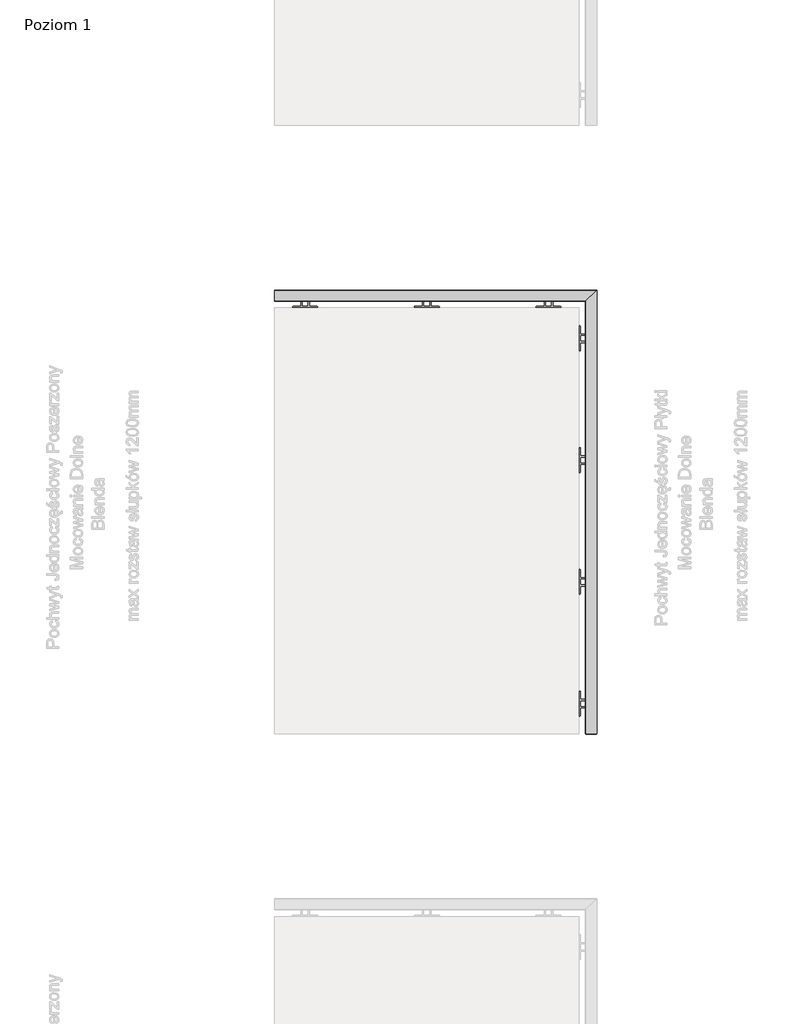
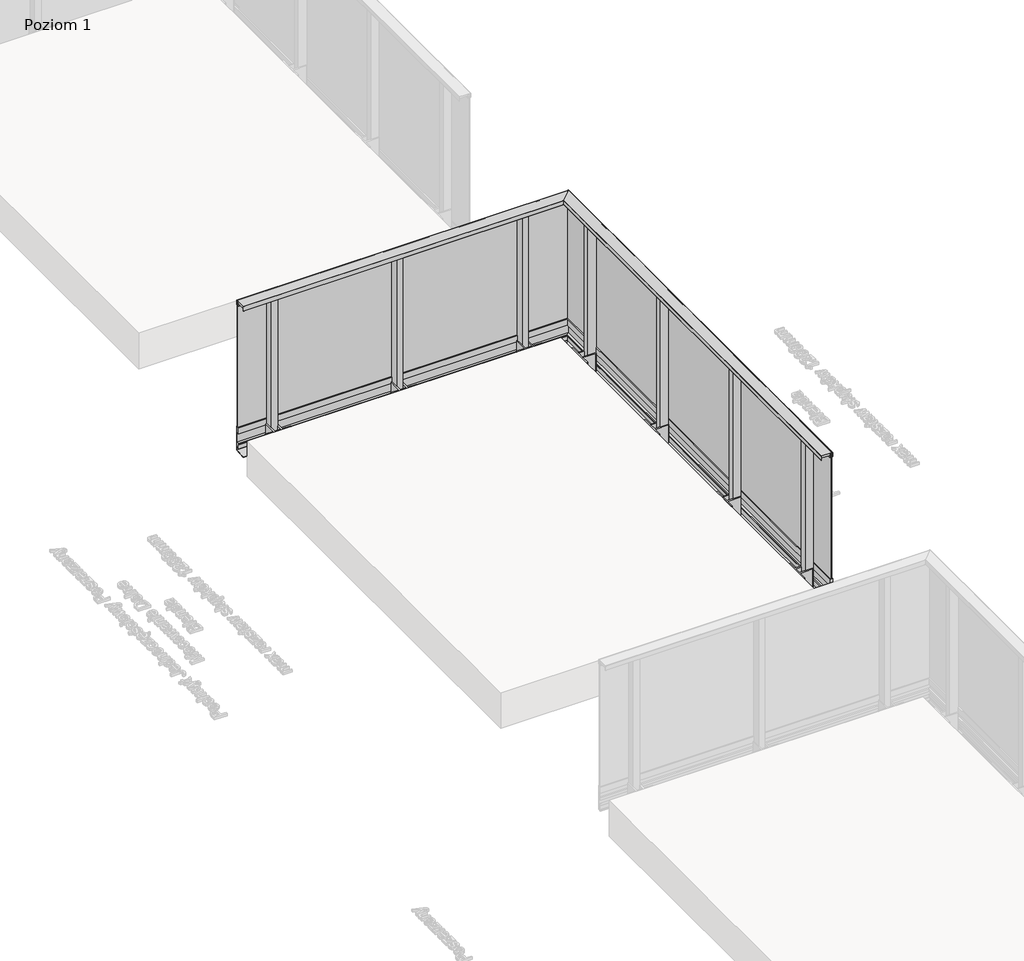
# One storey, part 5 of 35: 1 railing.
"""IFC4 building model written with IfcOpenShell, lengths in millimetres."""

from ifc_helpers import new_model, si_unit, frame, origin, place, context, project, spatial, polyline, circle_curve, ellipse_curve, outline, extrude, faceted_brep, element, save
from ifc_brep_helpers import plane_surface, cylinder_surface, revolved_surface, advanced_brep

model = new_model("IFC4")

# Units and contexts
model_context = context("Model", 3, world=origin())
ifc_project = project(units=[si_unit("LENGTHUNIT", "METRE", prefix="MILLI")], contexts=[model_context])

# Site, building, storey
site = spatial("IfcSite", under=ifc_project)
building = spatial("IfcBuilding", under=site)
storey = spatial("IfcBuildingStorey", under=building, Name="Poziom 1", Elevation=0.0)

# Railing
placement = place(None, origin())
element("IfcRailing", 1, at=placement, inside=storey, context=model_context, shape_type="SolidModel", body=[
    faceted_brep([(9538.3652811, -4629.5008183, 37.0), (9514.3652811, -4629.5008183, 37.0), (9514.3652811, -4629.5008183, -13.0), (9536.3652811, -4629.5008183, -13.0), (9536.3652811, -4629.5008183, -96.9554203), (9518.1832954, -4629.5008183, -96.9554203), (9518.1832954, -4629.5008183, -106.1344716), (9514.6406636, -4629.5008183, -106.1344716), (9514.6406636, -4629.5008183, -143.1624898), (9527.921825, -4629.5008183, -143.1624898), (9527.921825, -4629.5008183, -131.8419804), (9536.0842003, -4629.5008183, -131.8419804), (9536.0842003, -4629.5008183, -161.7741452), (9448.5987124, -4629.5008183, -169.4281336), (9448.7730238, -4629.5008183, -171.420523), (9538.3652811, -4629.5008183, -163.5822161), (9538.3652811, -982.117534, 37.0), (9514.3652811, -1006.117534, 37.0), (9514.3652811, -1006.117534, -13.0), (9536.3652811, -984.117534, -13.0), (9536.3652811, -984.117534, -96.9554203), (9518.1832954, -1002.2995197, -96.9554203), (9518.1832954, -1002.2995197, -106.1344716), (9514.6406636, -1005.8421514, -106.1344716), (9514.6406636, -1005.8421514, -143.1624898), (9527.921825, -992.5609901, -143.1624898), (9527.921825, -992.5609901, -131.8419804), (9536.0842003, -984.3986147, -131.8419804), (9536.0842003, -984.3986147, -161.7741452), (9448.5987124, -1071.8841027, -169.4281336), (9448.7730238, -1071.7097912, -171.420523), (9538.3652811, -982.117534, -163.5822161), (6890.9819967, -982.117534, 37.0), (6890.9819967, -982.117534, -163.5822161), (6890.9819967, -1071.7097912, -171.420523), (6890.9819967, -1071.8841027, -169.4281336), (6890.9819967, -984.3986147, -161.7741452), (6890.9819967, -984.3986147, -131.8419804), (6890.9819967, -992.5609901, -131.8419804), (6890.9819967, -992.5609901, -143.1624898), (6890.9819967, -1005.8421514, -143.1624898), (6890.9819967, -1005.8421514, -106.1344716), (6890.9819967, -1002.2995197, -106.1344716), (6890.9819967, -1002.2995197, -96.9554203), (6890.9819967, -984.117534, -96.9554203), (6890.9819967, -984.117534, -13.0), (6890.9819967, -1006.117534, -13.0), (6890.9819967, -1006.117534, 37.0)], [[[0, 1, 2, 3, 4, 5, 6, 7, 8, 9, 10, 11, 12, 13, 14, 15]], [[1, 0, 16, 17]], [[2, 1, 17, 18]], [[3, 2, 18, 19]], [[4, 3, 19, 20]], [[5, 4, 20, 21]], [[6, 5, 21, 22]], [[7, 6, 22, 23]], [[8, 7, 23, 24]], [[9, 8, 24, 25]], [[10, 9, 25, 26]], [[11, 10, 26, 27]], [[12, 11, 27, 28]], [[13, 12, 28, 29]], [[14, 13, 29, 30]], [[15, 14, 30, 31]], [[0, 15, 31, 16]], [[32, 33, 34, 35, 36, 37, 38, 39, 40, 41, 42, 43, 44, 45, 46, 47]], [[17, 16, 32, 47]], [[18, 17, 47, 46]], [[19, 18, 46, 45]], [[20, 19, 45, 44]], [[21, 20, 44, 43]], [[22, 21, 43, 42]], [[23, 22, 42, 41]], [[24, 23, 41, 40]], [[25, 24, 40, 39]], [[26, 25, 39, 38]], [[27, 26, 38, 37]], [[28, 27, 37, 36]], [[29, 28, 36, 35]], [[30, 29, 35, 34]], [[31, 30, 34, 33]], [[16, 31, 33, 32]]]),
    advanced_brep(
    [(9446.4625786, -4629.5008183, 1100.0), (9445.9625786, -4629.5008183, 1099.5), (9445.9625786, -4629.5008183, 1065.5384355), (9446.4625786, -4629.5008183, 1065.0384355), (9447.9625786, -4629.5008183, 1065.0384355), (9447.9625786, -4629.5008183, 1084.0), (9513.9566873, -4629.5008183, 1084.0), (9513.9566873, -4629.5008183, 1065.0590672), (9516.7566873, -4629.5008183, 1065.0590672), (9516.7566873, -4629.5008183, 1066.2590672), (9515.9566873, -4629.5008183, 1066.2590672), (9515.9566873, -4629.5008183, 1097.5), (9516.4566873, -4629.5008183, 1098.0), (9533.4625786, -4629.5008183, 1098.0), (9533.9625786, -4629.5008183, 1097.5), (9533.9625786, -4629.5008183, 1066.2590672), (9533.1625786, -4629.5008183, 1066.2590672), (9533.1625786, -4629.5008183, 1065.0590672), (9537.4625786, -4629.5008183, 1065.0590672), (9537.9625786, -4629.5008183, 1065.5590672), (9537.9625786, -4629.5008183, 1099.5), (9537.4625786, -4629.5008183, 1100.0), (9446.4625786, -1074.0202365, 1100.0), (9445.9625786, -1074.5202365, 1099.5), (9445.9625786, -1074.5202365, 1065.5384355), (9446.4625786, -1074.0202365, 1065.0384355), (9447.9625786, -1072.5202365, 1065.0384355), (9447.9625786, -1072.5202365, 1084.0), (9513.9566873, -1006.5261277, 1084.0), (9513.9566873, -1006.5261277, 1065.0590672), (9516.7566873, -1003.7261277, 1065.0590672), (9516.7566873, -1003.7261277, 1066.2590672), (9515.9566873, -1004.5261277, 1066.2590672), (9515.9566873, -1004.5261277, 1097.5), (9516.4566873, -1004.0261277, 1098.0), (9533.4625786, -987.0202365, 1098.0), (9533.9625786, -986.5202365, 1097.5), (9533.9625786, -986.5202365, 1066.2590672), (9533.1625786, -987.3202365, 1066.2590672), (9533.1625786, -987.3202365, 1065.0590672), (9537.4625786, -983.0202365, 1065.0590672), (9537.9625786, -982.5202365, 1065.5590672), (9537.9625786, -982.5202365, 1099.5), (9537.4625786, -983.0202365, 1100.0), (6890.9819967, -1074.0202365, 1100.0), (6890.9819967, -983.0202365, 1100.0), (6890.9819967, -982.5202365, 1099.5), (6890.9819967, -982.5202365, 1065.5590672), (6890.9819967, -983.0202365, 1065.0590672), (6890.9819967, -987.3202365, 1065.0590672), (6890.9819967, -987.3202365, 1066.2590672), (6890.9819967, -986.5202365, 1066.2590672), (6890.9819967, -986.5202365, 1097.5), (6890.9819967, -987.0202365, 1098.0), (6890.9819967, -1004.0261277, 1098.0), (6890.9819967, -1004.5261277, 1097.5), (6890.9819967, -1004.5261277, 1066.2590672), (6890.9819967, -1003.7261277, 1066.2590672), (6890.9819967, -1003.7261277, 1065.0590672), (6890.9819967, -1006.5261277, 1065.0590672), (6890.9819967, -1006.5261277, 1084.0), (6890.9819967, -1072.5202365, 1084.0), (6890.9819967, -1072.5202365, 1065.0384355), (6890.9819967, -1074.0202365, 1065.0384355), (6890.9819967, -1074.5202365, 1065.5384355), (6890.9819967, -1074.5202365, 1099.5)],
    [
        (0, 1, circle_curve(frame((9446.4625786, -4629.5008183, 1099.5), z_axis=(0.0, -1.0, 0.0), x_axis=(1.0, 0.0, 0.0)), 0.5)),
        (1, 2),
        (2, 3, circle_curve(frame((9446.4625786, -4629.5008183, 1065.5384355), z_axis=(0.0, -1.0, 0.0), x_axis=(1.0, 0.0, 0.0)), 0.5)),
        (3, 4),
        (4, 5),
        (5, 6),
        (6, 7),
        (7, 8),
        (8, 9),
        (9, 10),
        (10, 11),
        (11, 12, circle_curve(frame((9516.4566873, -4629.5008183, 1097.5), z_axis=(0.0, 1.0, 0.0), x_axis=(1.0, 0.0, 0.0)), 0.5)),
        (12, 13),
        (13, 14, circle_curve(frame((9533.4625786, -4629.5008183, 1097.5), z_axis=(0.0, 1.0, 0.0), x_axis=(1.0, 0.0, 0.0)), 0.5)),
        (14, 15),
        (15, 16),
        (16, 17),
        (17, 18),
        (18, 19, circle_curve(frame((9537.4625786, -4629.5008183, 1065.5590672), z_axis=(0.0, -1.0, 0.0), x_axis=(1.0, 0.0, 0.0)), 0.5)),
        (19, 20),
        (20, 21, circle_curve(frame((9537.4625786, -4629.5008183, 1099.5), z_axis=(0.0, -1.0, 0.0), x_axis=(1.0, 0.0, 0.0)), 0.5)),
        (21, 0),
        (0, 22),
        (22, 23, ellipse_curve(frame((9446.4625786, -1074.0202365, 1099.5), z_axis=(0.7071067811865467, -0.7071067811865482, 0.0), x_axis=(-0.7071067811865482, -0.7071067811865469, 0.0)), 0.7071068, 0.5)),
        (23, 1),
        (23, 24),
        (24, 2),
        (24, 25, ellipse_curve(frame((9446.4625786, -1074.0202365, 1065.5384355), z_axis=(0.7071067811865467, -0.7071067811865482, 0.0), x_axis=(-0.7071067811865482, -0.7071067811865469, 0.0)), 0.7071068, 0.5)),
        (25, 3),
        (25, 26),
        (26, 4),
        (26, 27),
        (27, 5),
        (27, 28),
        (28, 6),
        (28, 29),
        (29, 7),
        (29, 30),
        (30, 8),
        (30, 31),
        (31, 9),
        (31, 32),
        (32, 10),
        (32, 33),
        (33, 11),
        (33, 34, ellipse_curve(frame((9516.4566873, -1004.0261277, 1097.5), z_axis=(-0.7071067811865467, 0.7071067811865482, 0.0), x_axis=(0.7071067811865482, 0.7071067811865469, 0.0)), 0.7071068, 0.5)),
        (34, 12),
        (34, 35),
        (35, 13),
        (35, 36, ellipse_curve(frame((9533.4625786, -987.0202365, 1097.5), z_axis=(-0.7071067811865467, 0.7071067811865482, 0.0), x_axis=(0.7071067811865482, 0.7071067811865469, 0.0)), 0.7071068, 0.5)),
        (36, 14),
        (36, 37),
        (37, 15),
        (37, 38),
        (38, 16),
        (38, 39),
        (39, 17),
        (39, 40),
        (40, 18),
        (40, 41, ellipse_curve(frame((9537.4625786, -983.0202365, 1065.5590672), z_axis=(0.7071067811865467, -0.7071067811865482, 0.0), x_axis=(-0.7071067811865482, -0.7071067811865469, 0.0)), 0.7071068, 0.5)),
        (41, 19),
        (41, 42),
        (42, 20),
        (42, 43, ellipse_curve(frame((9537.4625786, -983.0202365, 1099.5), z_axis=(0.7071067811865467, -0.7071067811865482, 0.0), x_axis=(-0.7071067811865482, -0.7071067811865469, 0.0)), 0.7071068, 0.5)),
        (43, 21),
        (43, 22),
        (44, 45),
        (45, 46, circle_curve(frame((6890.9819967, -983.0202365, 1099.5), z_axis=(-1.0, 0.0, 0.0), x_axis=(0.0, 1.0, 0.0)), 0.5)),
        (46, 47),
        (47, 48, circle_curve(frame((6890.9819967, -983.0202365, 1065.5590672), z_axis=(-1.0, 0.0, 0.0), x_axis=(0.0, 1.0, 0.0)), 0.5)),
        (48, 49),
        (49, 50),
        (50, 51),
        (51, 52),
        (52, 53, circle_curve(frame((6890.9819967, -987.0202365, 1097.5), z_axis=(1.0, 0.0, 0.0), x_axis=(0.0, 1.0, 0.0)), 0.5)),
        (53, 54),
        (54, 55, circle_curve(frame((6890.9819967, -1004.0261277, 1097.5), z_axis=(1.0, 0.0, 0.0), x_axis=(0.0, 1.0, 0.0)), 0.5)),
        (55, 56),
        (56, 57),
        (57, 58),
        (58, 59),
        (59, 60),
        (60, 61),
        (61, 62),
        (62, 63),
        (63, 64, circle_curve(frame((6890.9819967, -1074.0202365, 1065.5384355), z_axis=(-1.0, 0.0, 0.0), x_axis=(0.0, 1.0, 0.0)), 0.5)),
        (64, 65),
        (65, 44, circle_curve(frame((6890.9819967, -1074.0202365, 1099.5), z_axis=(-1.0, 0.0, 0.0), x_axis=(0.0, 1.0, 0.0)), 0.5)),
        (22, 44),
        (65, 23),
        (64, 24),
        (63, 25),
        (62, 26),
        (61, 27),
        (60, 28),
        (59, 29),
        (58, 30),
        (57, 31),
        (56, 32),
        (55, 33),
        (54, 34),
        (53, 35),
        (52, 36),
        (51, 37),
        (50, 38),
        (49, 39),
        (48, 40),
        (47, 41),
        (46, 42),
        (45, 43),
    ],
    [
        plane_surface(frame((9482.9819967, -4629.5008183, 1100.0), z_axis=(0.0, -1.0, 0.0), x_axis=(0.0, 0.0, 1.0))),
        cylinder_surface(frame((9446.4625786, -4629.5008183, 1099.5), z_axis=(0.0, -1.0, 0.0), x_axis=(1.0, 0.0, 0.0)), 0.5),
        plane_surface(frame((9445.9625786, -4629.5008183, 1099.5), z_axis=(-1.0, 0.0, 0.0), x_axis=(0.0, 1.0, 0.0))),
        cylinder_surface(frame((9446.4625786, -4629.5008183, 1065.5384355), z_axis=(0.0, -1.0, 0.0), x_axis=(1.0, 0.0, 0.0)), 0.5),
        plane_surface(frame((9446.4625786, -4629.5008183, 1065.0384355), z_axis=(0.0, 0.0, -1.0), x_axis=(0.0, 1.0, 0.0))),
        plane_surface(frame((9447.9625786, -4629.5008183, 1065.0384355), z_axis=(1.0, 0.0, 0.0), x_axis=(0.0, 1.0, 0.0))),
        plane_surface(frame((9447.9625786, -4629.5008183, 1084.0), z_axis=(0.0, 0.0, -1.0), x_axis=(0.0, 1.0, 0.0))),
        plane_surface(frame((9513.9566873, -4629.5008183, 1084.0), z_axis=(-1.0, 0.0, 0.0), x_axis=(0.0, 1.0, 0.0))),
        plane_surface(frame((9513.9566873, -4629.5008183, 1065.0590672), z_axis=(0.0, 0.0, -1.0), x_axis=(0.0, 1.0, 0.0))),
        plane_surface(frame((9516.7566873, -4629.5008183, 1065.0590672), z_axis=(1.0, 0.0, 0.0), x_axis=(0.0, 1.0, 0.0))),
        plane_surface(frame((9516.7566873, -4629.5008183, 1066.2590672), z_axis=(0.0, 0.0, 1.0), x_axis=(0.0, 1.0, 0.0))),
        plane_surface(frame((9515.9566873, -4629.5008183, 1066.2590672), z_axis=(1.0, 0.0, 0.0), x_axis=(0.0, 1.0, 0.0))),
        revolved_surface(polyline([(9516.9566873, -1003.5261276866968, 1097.5), (9516.9566873, -4629.5008183, 1097.5)]), (9516.4566873, -4629.5008183, 1097.5), (0.0, 1.0, 0.0)),
        plane_surface(frame((9516.4566873, -4629.5008183, 1098.0), z_axis=(0.0, 0.0, -1.0), x_axis=(0.0, 1.0, 0.0))),
        revolved_surface(polyline([(9533.9625786, -986.5202364866968, 1097.5), (9533.9625786, -4629.5008183, 1097.5)]), (9533.4625786, -4629.5008183, 1097.5), (0.0, 1.0, 0.0)),
        plane_surface(frame((9533.9625786, -4629.5008183, 1097.5), z_axis=(-1.0, 0.0, 0.0), x_axis=(0.0, 1.0, 0.0))),
        plane_surface(frame((9533.9625786, -4629.5008183, 1066.2590672), z_axis=(0.0, 0.0, 1.0), x_axis=(0.0, 1.0, 0.0))),
        plane_surface(frame((9533.1625786, -4629.5008183, 1066.2590672), z_axis=(-1.0, 0.0, 0.0), x_axis=(0.0, 1.0, 0.0))),
        plane_surface(frame((9533.1625786, -4629.5008183, 1065.0590672), z_axis=(0.0, 0.0, -1.0), x_axis=(0.0, 1.0, 0.0))),
        cylinder_surface(frame((9537.4625786, -4629.5008183, 1065.5590672), z_axis=(0.0, -1.0, 0.0), x_axis=(1.0, 0.0, 0.0)), 0.5),
        plane_surface(frame((9537.9625786, -4629.5008183, 1065.5590672), z_axis=(1.0, 0.0, 0.0), x_axis=(0.0, 1.0, 0.0))),
        cylinder_surface(frame((9537.4625786, -4629.5008183, 1099.5), z_axis=(0.0, -1.0, 0.0), x_axis=(1.0, 0.0, 0.0)), 0.5),
        plane_surface(frame((9537.4625786, -4629.5008183, 1100.0), z_axis=(0.0, 0.0, 1.0), x_axis=(0.0, 1.0, 0.0))),
        plane_surface(frame((6890.9819967, -1037.5008183, 1100.0), z_axis=(-1.0, 0.0, 0.0), x_axis=(0.0, -1.0, 0.0))),
        cylinder_surface(frame((9482.9819967, -1074.0202365, 1099.5), z_axis=(1.0, 0.0, 0.0), x_axis=(0.0, 1.0, 0.0)), 0.5),
        plane_surface(frame((9445.9625786, -1074.5202365, 1099.5), z_axis=(0.0, -1.0, 0.0), x_axis=(-1.0, 0.0, 0.0))),
        cylinder_surface(frame((9482.9819967, -1074.0202365, 1065.5384355), z_axis=(1.0, 0.0, 0.0), x_axis=(0.0, 1.0, 0.0)), 0.5),
        plane_surface(frame((9446.4625786, -1074.0202365, 1065.0384355), z_axis=(0.0, 0.0, -1.0), x_axis=(-1.0, 0.0, 0.0))),
        plane_surface(frame((9447.9625786, -1072.5202365, 1065.0384355), z_axis=(0.0, 1.0, 0.0), x_axis=(-1.0, 0.0, 0.0))),
        plane_surface(frame((9447.9625786, -1072.5202365, 1084.0), z_axis=(0.0, 0.0, -1.0), x_axis=(-1.0, 0.0, 0.0))),
        plane_surface(frame((9513.9566873, -1006.5261277, 1084.0), z_axis=(0.0, -1.0, 0.0), x_axis=(-1.0, 0.0, 0.0))),
        plane_surface(frame((9513.9566873, -1006.5261277, 1065.0590672), z_axis=(0.0, 0.0, -1.0), x_axis=(-1.0, 0.0, 0.0))),
        plane_surface(frame((9516.7566873, -1003.7261277, 1065.0590672), z_axis=(0.0, 1.0, 0.0), x_axis=(-1.0, 0.0, 0.0))),
        plane_surface(frame((9516.7566873, -1003.7261277, 1066.2590672), z_axis=(0.0, 0.0, 1.0), x_axis=(-1.0, 0.0, 0.0))),
        plane_surface(frame((9515.9566873, -1004.5261277, 1066.2590672), z_axis=(0.0, 1.0, 0.0), x_axis=(-1.0, 0.0, 0.0))),
        revolved_surface(polyline([(6890.9819967, -1003.5261277, 1097.5), (9516.956687313303, -1003.5261277, 1097.5)]), (9482.9819967, -1004.0261277, 1097.5), (-1.0, 0.0, 0.0)),
        plane_surface(frame((9516.4566873, -1004.0261277, 1098.0), z_axis=(0.0, 0.0, -1.0), x_axis=(-1.0, 0.0, 0.0))),
        revolved_surface(polyline([(6890.9819967, -986.5202365, 1097.5), (9533.962578613302, -986.5202365, 1097.5)]), (9482.9819967, -987.0202365, 1097.5), (-1.0, 0.0, 0.0)),
        plane_surface(frame((9533.9625786, -986.5202365, 1097.5), z_axis=(0.0, -1.0, 0.0), x_axis=(-1.0, 0.0, 0.0))),
        plane_surface(frame((9533.9625786, -986.5202365, 1066.2590672), z_axis=(0.0, 0.0, 1.0), x_axis=(-1.0, 0.0, 0.0))),
        plane_surface(frame((9533.1625786, -987.3202365, 1066.2590672), z_axis=(0.0, -1.0, 0.0), x_axis=(-1.0, 0.0, 0.0))),
        plane_surface(frame((9533.1625786, -987.3202365, 1065.0590672), z_axis=(0.0, 0.0, -1.0), x_axis=(-1.0, 0.0, 0.0))),
        cylinder_surface(frame((9482.9819967, -983.0202365, 1065.5590672), z_axis=(1.0, 0.0, 0.0), x_axis=(0.0, 1.0, 0.0)), 0.5),
        plane_surface(frame((9537.9625786, -982.5202365, 1065.5590672), z_axis=(0.0, 1.0, 0.0), x_axis=(-1.0, 0.0, 0.0))),
        cylinder_surface(frame((9482.9819967, -983.0202365, 1099.5), z_axis=(1.0, 0.0, 0.0), x_axis=(0.0, 1.0, 0.0)), 0.5),
        plane_surface(frame((9537.4625786, -983.0202365, 1100.0), z_axis=(0.0, 0.0, 1.0), x_axis=(-1.0, 0.0, 0.0))),
    ],
    [
        (0, [[1, 2, 3, 4, 5, 6, 7, 8, 9, 10, 11, 12, 13, 14, 15, 16, 17, 18, 19, 20, 21, 22]]),
        (1, [[-1, 23, 24, 25]]),
        (2, [[-2, -25, 26, 27]]),
        (3, [[-3, -27, 28, 29]]),
        (4, [[-4, -29, 30, 31]]),
        (5, [[-5, -31, 32, 33]]),
        (6, [[-6, -33, 34, 35]]),
        (7, [[-7, -35, 36, 37]]),
        (8, [[-8, -37, 38, 39]]),
        (9, [[-9, -39, 40, 41]]),
        (10, [[-10, -41, 42, 43]]),
        (11, [[-11, -43, 44, 45]]),
        (12, [[-12, -45, 46, 47]]),
        (13, [[-13, -47, 48, 49]]),
        (14, [[-14, -49, 50, 51]]),
        (15, [[-15, -51, 52, 53]]),
        (16, [[-16, -53, 54, 55]]),
        (17, [[-17, -55, 56, 57]]),
        (18, [[-18, -57, 58, 59]]),
        (19, [[-19, -59, 60, 61]]),
        (20, [[-20, -61, 62, 63]]),
        (21, [[-21, -63, 64, 65]]),
        (22, [[-22, -65, 66, -23]]),
        (23, [[67, 68, 69, 70, 71, 72, 73, 74, 75, 76, 77, 78, 79, 80, 81, 82, 83, 84, 85, 86, 87, 88]]),
        (24, [[-24, 89, -88, 90]]),
        (25, [[-26, -90, -87, 91]]),
        (26, [[-28, -91, -86, 92]]),
        (27, [[-30, -92, -85, 93]]),
        (28, [[-32, -93, -84, 94]]),
        (29, [[-34, -94, -83, 95]]),
        (30, [[-36, -95, -82, 96]]),
        (31, [[-38, -96, -81, 97]]),
        (32, [[-40, -97, -80, 98]]),
        (33, [[-42, -98, -79, 99]]),
        (34, [[-44, -99, -78, 100]]),
        (35, [[-46, -100, -77, 101]]),
        (36, [[-48, -101, -76, 102]]),
        (37, [[-50, -102, -75, 103]]),
        (38, [[-52, -103, -74, 104]]),
        (39, [[-54, -104, -73, 105]]),
        (40, [[-56, -105, -72, 106]]),
        (41, [[-58, -106, -71, 107]]),
        (42, [[-60, -107, -70, 108]]),
        (43, [[-62, -108, -69, 109]]),
        (44, [[-64, -109, -68, 110]]),
        (45, [[-66, -110, -67, -89]]),
    ],
),
    faceted_brep([(9529.9819967, -4629.5008183, 1087.0), (9521.9819967, -4629.5008183, 1087.0), (9521.9819967, -4629.5008183, 37.0), (9529.9819967, -4629.5008183, 37.0), (9529.9819967, -990.5008183, 1087.0), (9521.9819967, -998.5008183, 1087.0), (9521.9819967, -998.5008183, 37.0), (9529.9819967, -990.5008183, 37.0), (6890.9819967, -990.5008183, 1087.0), (6890.9819967, -990.5008183, 37.0), (6890.9819967, -998.5008183, 37.0), (6890.9819967, -998.5008183, 1087.0)], [[[0, 1, 2, 3]], [[1, 0, 4, 5]], [[2, 1, 5, 6]], [[3, 2, 6, 7]], [[0, 3, 7, 4]], [[8, 9, 10, 11]], [[5, 4, 8, 11]], [[6, 5, 11, 10]], [[7, 6, 10, 9]], [[4, 7, 9, 8]]]),
    faceted_brep([(9516.6692541, -4629.5008183, 1065.2160621), (9515.6441664, -4629.5008183, 1065.2160621), (9515.6441664, -4629.5008183, 1063.6627783), (9521.9819967, -4629.5008183, 1061.8454347), (9521.9819967, -4629.5008183, 1072.0), (9516.6692541, -4629.5008183, 1074.1464874), (9516.6692541, -1003.813561, 1065.2160621), (9515.6441664, -1004.8386487, 1065.2160621), (9515.6441664, -1004.8386487, 1063.6627783), (9521.9819967, -998.5008183, 1061.8454347), (9521.9819967, -998.5008183, 1072.0), (9516.6692541, -1003.813561, 1074.1464874), (6890.9819967, -1003.813561, 1065.2160621), (6890.9819967, -1003.813561, 1074.1464874), (6890.9819967, -998.5008183, 1072.0), (6890.9819967, -998.5008183, 1061.8454347), (6890.9819967, -1004.8386487, 1063.6627783), (6890.9819967, -1004.8386487, 1065.2160621)], [[[0, 1, 2, 3, 4, 5]], [[1, 0, 6, 7]], [[2, 1, 7, 8]], [[3, 2, 8, 9]], [[4, 3, 9, 10]], [[5, 4, 10, 11]], [[0, 5, 11, 6]], [[12, 13, 14, 15, 16, 17]], [[7, 6, 12, 17]], [[8, 7, 17, 16]], [[9, 8, 16, 15]], [[10, 9, 15, 14]], [[11, 10, 14, 13]], [[6, 11, 13, 12]]]),
    faceted_brep([(9535.2947394, -4629.5008183, 1065.2160621), (9535.2947394, -4629.5008183, 1074.1464874), (9529.9819967, -4629.5008183, 1072.0), (9529.9819967, -4629.5008183, 1061.8454347), (9536.3198271, -4629.5008183, 1063.6627783), (9536.3198271, -4629.5008183, 1065.2160621), (9535.2947394, -985.1880757, 1065.2160621), (9535.2947394, -985.1880757, 1074.1464874), (9529.9819967, -990.5008183, 1072.0), (9529.9819967, -990.5008183, 1061.8454347), (9536.3198271, -984.162988, 1063.6627783), (9536.3198271, -984.162988, 1065.2160621), (6890.9819967, -985.1880757, 1065.2160621), (6890.9819967, -984.162988, 1065.2160621), (6890.9819967, -984.162988, 1063.6627783), (6890.9819967, -990.5008183, 1061.8454347), (6890.9819967, -990.5008183, 1072.0), (6890.9819967, -985.1880757, 1074.1464874)], [[[0, 1, 2, 3, 4, 5]], [[1, 0, 6, 7]], [[2, 1, 7, 8]], [[3, 2, 8, 9]], [[4, 3, 9, 10]], [[5, 4, 10, 11]], [[0, 5, 11, 6]], [[12, 13, 14, 15, 16, 17]], [[7, 6, 12, 17]], [[8, 7, 17, 16]], [[9, 8, 16, 15]], [[10, 9, 15, 14]], [[11, 10, 14, 13]], [[6, 11, 13, 12]]]),
    extrude(outline(polyline([(7115.9819967, -1071.5008183), (7115.9819967, -1006.5008183), (7165.9819967, -1006.5008183), (7165.9819967, -1071.5008183), (7115.9819967, -1071.5008183)])), frame((0.0, 0.0, -162.0), z_axis=(0.0, 0.0, 1.0), x_axis=(1.0, 0.0, 0.0)), (0.0, 0.0, 1.0), 1250.0384355),
    extrude(outline(polyline([(7038.4819967, -1129.5008183), (7038.4819967, -1120.3292455), (7041.3104239, -1117.5008183), (7105.9612097, -1117.5008183), (7105.9612097, -1014.5637744), (7109.4872118, -1009.5281216), (7115.9612097, -1009.5281216), (7115.9612097, -1117.5008183), (7166.0027837, -1117.5008183), (7166.0027837, -1009.5281216), (7172.4767816, -1009.5281216), (7176.0027837, -1014.5637744), (7176.0027837, -1117.5008183), (7240.6535696, -1117.5008183), (7243.4819967, -1120.3292455), (7243.4819967, -1129.5008183), (7038.4819967, -1129.5008183)])), frame((0.0, 0.0, -152.0), z_axis=(0.0, 0.0, 1.0), x_axis=(1.0, 0.0, 0.0)), (0.0, 0.0, 1.0), 150.0),
    extrude(outline(polyline([(8115.9819967, -1071.5008183), (8115.9819967, -1006.5008183), (8165.9819967, -1006.5008183), (8165.9819967, -1071.5008183), (8115.9819967, -1071.5008183)])), frame((0.0, 0.0, -162.0), z_axis=(0.0, 0.0, 1.0), x_axis=(1.0, 0.0, 0.0)), (0.0, 0.0, 1.0), 1250.0384355),
    extrude(outline(polyline([(8038.4819967, -1129.5008183), (8038.4819967, -1120.3292455), (8041.3104239, -1117.5008183), (8105.9612097, -1117.5008183), (8105.9612097, -1014.5637744), (8109.4872118, -1009.5281216), (8115.9612097, -1009.5281216), (8115.9612097, -1117.5008183), (8166.0027837, -1117.5008183), (8166.0027837, -1009.5281216), (8172.4767816, -1009.5281216), (8176.0027837, -1014.5637744), (8176.0027837, -1117.5008183), (8240.6535696, -1117.5008183), (8243.4819967, -1120.3292455), (8243.4819967, -1129.5008183), (8038.4819967, -1129.5008183)])), frame((0.0, 0.0, -152.0), z_axis=(0.0, 0.0, 1.0), x_axis=(1.0, 0.0, 0.0)), (0.0, 0.0, 1.0), 150.0),
    extrude(outline(polyline([(9115.9819967, -1071.5008183), (9115.9819967, -1006.5008183), (9165.9819967, -1006.5008183), (9165.9819967, -1071.5008183), (9115.9819967, -1071.5008183)])), frame((0.0, 0.0, -162.0), z_axis=(0.0, 0.0, 1.0), x_axis=(1.0, 0.0, 0.0)), (0.0, 0.0, 1.0), 1250.0384355),
    extrude(outline(polyline([(9038.4819967, -1129.5008183), (9038.4819967, -1120.3292455), (9041.3104239, -1117.5008183), (9105.9612097, -1117.5008183), (9105.9612097, -1014.5637744), (9109.4872118, -1009.5281216), (9115.9612097, -1009.5281216), (9115.9612097, -1117.5008183), (9166.0027837, -1117.5008183), (9166.0027837, -1009.5281216), (9172.4767816, -1009.5281216), (9176.0027837, -1014.5637744), (9176.0027837, -1117.5008183), (9240.6535696, -1117.5008183), (9243.4819967, -1120.3292455), (9243.4819967, -1129.5008183), (9038.4819967, -1129.5008183)])), frame((0.0, 0.0, -152.0), z_axis=(0.0, 0.0, 1.0), x_axis=(1.0, 0.0, 0.0)), (0.0, 0.0, 1.0), 150.0),
    extrude(outline(polyline([(9448.9819967, -1354.5008183), (9513.9819967, -1354.5008183), (9513.9819967, -1404.5008183), (9448.9819967, -1404.5008183), (9448.9819967, -1354.5008183)])), frame((0.0, 0.0, -162.0), z_axis=(0.0, 0.0, 1.0), x_axis=(1.0, 0.0, 0.0)), (0.0, 0.0, 1.0), 1250.0384355),
    extrude(outline(polyline([(9390.9819967, -1277.0008183), (9400.1535696, -1277.0008183), (9402.9819967, -1279.8292455), (9402.9819967, -1344.4800313), (9505.9190406, -1344.4800313), (9510.9546935, -1348.0060334), (9510.9546935, -1354.4800313), (9402.9819967, -1354.4800313), (9402.9819967, -1404.5216053), (9510.9546935, -1404.5216053), (9510.9546935, -1410.9956032), (9505.9190406, -1414.5216053), (9402.9819967, -1414.5216053), (9402.9819967, -1479.1723912), (9400.1535696, -1482.0008183), (9390.9819967, -1482.0008183), (9390.9819967, -1277.0008183)])), frame((0.0, 0.0, -152.0), z_axis=(0.0, 0.0, 1.0), x_axis=(1.0, 0.0, 0.0)), (0.0, 0.0, 1.0), 150.0),
    extrude(outline(polyline([(9448.9819967, -2354.5008183), (9513.9819967, -2354.5008183), (9513.9819967, -2404.5008183), (9448.9819967, -2404.5008183), (9448.9819967, -2354.5008183)])), frame((0.0, 0.0, -162.0), z_axis=(0.0, 0.0, 1.0), x_axis=(1.0, 0.0, 0.0)), (0.0, 0.0, 1.0), 1250.0384355),
    extrude(outline(polyline([(9390.9819967, -2277.0008183), (9400.1535696, -2277.0008183), (9402.9819967, -2279.8292455), (9402.9819967, -2344.4800313), (9505.9190406, -2344.4800313), (9510.9546935, -2348.0060334), (9510.9546935, -2354.4800313), (9402.9819967, -2354.4800313), (9402.9819967, -2404.5216053), (9510.9546935, -2404.5216053), (9510.9546935, -2410.9956032), (9505.9190406, -2414.5216053), (9402.9819967, -2414.5216053), (9402.9819967, -2479.1723912), (9400.1535696, -2482.0008183), (9390.9819967, -2482.0008183), (9390.9819967, -2277.0008183)])), frame((0.0, 0.0, -152.0), z_axis=(0.0, 0.0, 1.0), x_axis=(1.0, 0.0, 0.0)), (0.0, 0.0, 1.0), 150.0),
    extrude(outline(polyline([(9448.9819967, -3354.5008183), (9513.9819967, -3354.5008183), (9513.9819967, -3404.5008183), (9448.9819967, -3404.5008183), (9448.9819967, -3354.5008183)])), frame((0.0, 0.0, -162.0), z_axis=(0.0, 0.0, 1.0), x_axis=(1.0, 0.0, 0.0)), (0.0, 0.0, 1.0), 1250.0384355),
    extrude(outline(polyline([(9390.9819967, -3277.0008183), (9400.1535696, -3277.0008183), (9402.9819967, -3279.8292455), (9402.9819967, -3344.4800313), (9505.9190406, -3344.4800313), (9510.9546935, -3348.0060334), (9510.9546935, -3354.4800313), (9402.9819967, -3354.4800313), (9402.9819967, -3404.5216053), (9510.9546935, -3404.5216053), (9510.9546935, -3410.9956032), (9505.9190406, -3414.5216053), (9402.9819967, -3414.5216053), (9402.9819967, -3479.1723912), (9400.1535696, -3482.0008183), (9390.9819967, -3482.0008183), (9390.9819967, -3277.0008183)])), frame((0.0, 0.0, -152.0), z_axis=(0.0, 0.0, 1.0), x_axis=(1.0, 0.0, 0.0)), (0.0, 0.0, 1.0), 150.0),
    extrude(outline(polyline([(9448.9819967, -4354.5008183), (9513.9819967, -4354.5008183), (9513.9819967, -4404.5008183), (9448.9819967, -4404.5008183), (9448.9819967, -4354.5008183)])), frame((0.0, 0.0, -162.0), z_axis=(0.0, 0.0, 1.0), x_axis=(1.0, 0.0, 0.0)), (0.0, 0.0, 1.0), 1250.0384355),
    extrude(outline(polyline([(9390.9819967, -4277.0008183), (9400.1535696, -4277.0008183), (9402.9819967, -4279.8292455), (9402.9819967, -4344.4800313), (9505.9190406, -4344.4800313), (9510.9546935, -4348.0060334), (9510.9546935, -4354.4800313), (9402.9819967, -4354.4800313), (9402.9819967, -4404.5216053), (9510.9546935, -4404.5216053), (9510.9546935, -4410.9956032), (9505.9190406, -4414.5216053), (9402.9819967, -4414.5216053), (9402.9819967, -4479.1723912), (9400.1535696, -4482.0008183), (9390.9819967, -4482.0008183), (9390.9819967, -4277.0008183)])), frame((0.0, 0.0, -152.0), z_axis=(0.0, 0.0, 1.0), x_axis=(1.0, 0.0, 0.0)), (0.0, 0.0, 1.0), 150.0),
    extrude(outline(polyline([(7115.9819967, -1071.5008183), (7115.9819967, -1006.5008183), (7165.9819967, -1006.5008183), (7165.9819967, -1071.5008183), (7115.9819967, -1071.5008183)])), frame((0.0, 0.0, -162.0), z_axis=(0.0, 0.0, 1.0), x_axis=(1.0, 0.0, 0.0)), (0.0, 0.0, 1.0), 1250.0384355),
    extrude(outline(polyline([(7038.4819967, -1129.5008183), (7038.4819967, -1120.3292455), (7041.3104239, -1117.5008183), (7105.9612097, -1117.5008183), (7105.9612097, -1014.5637744), (7109.4872118, -1009.5281216), (7115.9612097, -1009.5281216), (7115.9612097, -1117.5008183), (7166.0027837, -1117.5008183), (7166.0027837, -1009.5281216), (7172.4767816, -1009.5281216), (7176.0027837, -1014.5637744), (7176.0027837, -1117.5008183), (7240.6535696, -1117.5008183), (7243.4819967, -1120.3292455), (7243.4819967, -1129.5008183), (7038.4819967, -1129.5008183)])), frame((0.0, 0.0, -152.0), z_axis=(0.0, 0.0, 1.0), x_axis=(1.0, 0.0, 0.0)), (0.0, 0.0, 1.0), 150.0),
    extrude(outline(polyline([(9448.9819967, -4354.5008183), (9513.9819967, -4354.5008183), (9513.9819967, -4404.5008183), (9448.9819967, -4404.5008183), (9448.9819967, -4354.5008183)])), frame((0.0, 0.0, -162.0), z_axis=(0.0, 0.0, 1.0), x_axis=(1.0, 0.0, 0.0)), (0.0, 0.0, 1.0), 1250.0384355),
    extrude(outline(polyline([(9390.9819967, -4277.0008183), (9400.1535696, -4277.0008183), (9402.9819967, -4279.8292455), (9402.9819967, -4344.4800313), (9505.9190406, -4344.4800313), (9510.9546935, -4348.0060334), (9510.9546935, -4354.4800313), (9402.9819967, -4354.4800313), (9402.9819967, -4404.5216053), (9510.9546935, -4404.5216053), (9510.9546935, -4410.9956032), (9505.9190406, -4414.5216053), (9402.9819967, -4414.5216053), (9402.9819967, -4479.1723912), (9400.1535696, -4482.0008183), (9390.9819967, -4482.0008183), (9390.9819967, -4277.0008183)])), frame((0.0, 0.0, -152.0), z_axis=(0.0, 0.0, 1.0), x_axis=(1.0, 0.0, 0.0)), (0.0, 0.0, 1.0), 150.0),
])

save(model, "model.ifc")
